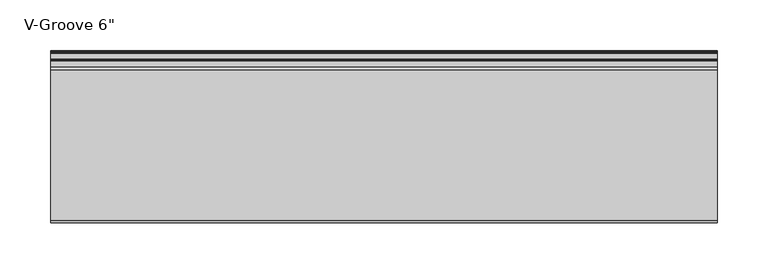
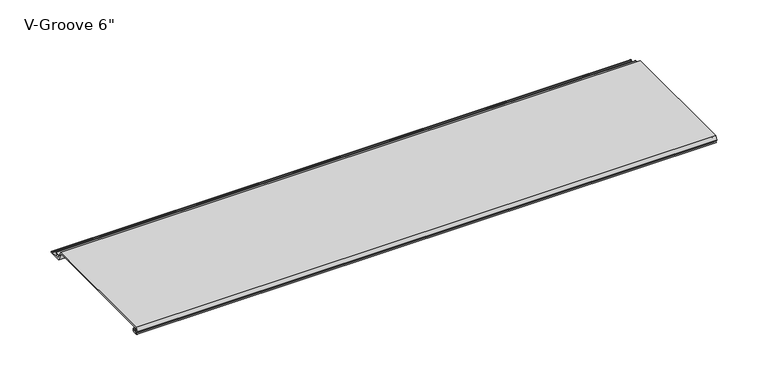
"""IFC4 building model written with IfcOpenShell, lengths in millimetres: proxy geometry."""

from ifc_helpers import new_model, si_unit, frame, origin, place, context, project, spatial, polyline, circle_curve, source, transform, mapped, element, save
from ifc_brep_helpers import plane_surface, cylinder_surface, revolved_surface, advanced_brep


def proxy_b5fcf104(model_context):
    return source(origin(), model_context, "Body", "AdvancedBrep", [
        advanced_brep(
        [(0.0, 4.8748016, 8.2677279), (0.0, 3.9297655, 8.3107178), (0.0, 1.0903749, 8.3537076), (0.0, 0.065443, 8.3537076), (0.0, 0.065443, 9.2261945), (0.0, 2.1184419, 13.2537076), (0.0, 149.7967857, 13.2537076), (0.0, 152.4, 8.1468156), (0.0, 158.2910449, 8.1468156), (0.0, 158.2738459, 6.6269129), (0.0, 154.1507651, 6.6268074), (0.0, 153.6162088, 5.7543198), (0.0, 154.7634478, 3.5037076), (0.0, 159.5480327, 3.5037076), (0.0, 160.305331, 2.8682589), (0.0, 166.0979176, 2.8682589), (0.0, 166.8552159, 3.5037076), (0.0, 167.8052159, 3.5037076), (0.0, 167.8052159, 1.8537076), (0.0, 153.8456734, 1.8537076), (0.0, 148.8348769, 11.6837076), (0.0, 4.9698231, 11.6837076), (0.0, 4.9454257, 9.4970429), (0.0, 6.3252986, 9.4327708), (0.0, 6.2190404, 4.8677279), (0.0, 2.2867276, 4.8677279), (0.0, 2.2368711, 6.1940104), (0.0, 4.5055344, 6.3177279), (0.0, 6.0740222, 6.3177279), (0.0, 6.0740222, 8.2677279), (653.773, 4.8748016, 8.2677279), (653.773, 6.0740222, 8.2677279), (653.773, 6.0740222, 6.3177279), (653.773, 4.5055344, 6.3177279), (653.773, 2.2368711, 6.1940104), (653.773, 2.2867276, 4.8677279), (653.773, 6.2190404, 4.8677279), (653.773, 6.3252986, 9.4327708), (653.773, 4.9454257, 9.4970429), (653.773, 4.9698231, 11.6837076), (653.773, 148.8348769, 11.6837076), (653.773, 153.8456734, 1.8537076), (653.773, 167.8052159, 1.8537076), (653.773, 167.8052159, 3.5037076), (653.773, 166.8552159, 3.5037076), (653.773, 166.0979176, 2.8682589), (653.773, 160.305331, 2.8682589), (653.773, 159.5480327, 3.5037076), (653.773, 154.7634478, 3.5037076), (653.773, 153.6162088, 5.7543198), (653.773, 154.1507651, 6.6268074), (653.773, 158.2738459, 6.6268074), (653.773, 158.2910449, 8.1468156), (653.773, 152.4, 8.1468156), (653.773, 149.7967857, 13.2537076), (653.773, 2.1184419, 13.2537076), (653.773, 0.065443, 9.2261945), (653.773, 0.065443, 8.3537076), (653.773, 1.0903749, 8.3537076), (653.773, 3.9297655, 8.3107178)],
        [
            (0, 1),
            (1, 2, circle_curve(frame((0.0, 2.4847467, 6.6596487), z_axis=(1.0, 0.0, 0.0), x_axis=(0.0, 1.0, 0.0)), 2.1941076)),
            (2, 3),
            (3, 4),
            (4, 5),
            (5, 6),
            (6, 7),
            (7, 8),
            (8, 9, circle_curve(frame((0.0, 158.2824454, 7.3868643), z_axis=(-1.0, 0.0, 0.0), x_axis=(0.0, 1.0, 0.0)), 0.76)),
            (9, 10),
            (10, 11, circle_curve(frame((0.0, 154.1507651, 6.0268074), z_axis=(1.0, 0.0, 0.0), x_axis=(0.0, 1.0, 0.0)), 0.6)),
            (11, 12),
            (12, 13),
            (13, 14),
            (14, 15),
            (15, 16),
            (16, 17),
            (17, 18, circle_curve(frame((0.0, 167.8052159, 2.6787076), z_axis=(-1.0, 0.0, 0.0), x_axis=(0.0, 1.0, 0.0)), 0.825)),
            (18, 19),
            (19, 20),
            (20, 21),
            (21, 22, circle_curve(frame((0.0, 4.9836004, 10.5900854), z_axis=(1.0, 0.0, 0.0), x_axis=(0.0, 1.0, 0.0)), 1.093709)),
            (22, 23),
            (23, 24, circle_curve(frame((0.0, 6.2190404, 7.151486), z_axis=(-1.0, 0.0, 0.0), x_axis=(0.0, 1.0, 0.0)), 2.2837581)),
            (24, 25),
            (25, 26, circle_curve(frame((0.0, 2.2867276, 5.5318063), z_axis=(-1.0, 0.0, 0.0), x_axis=(0.0, 1.0, 0.0)), 0.6640784)),
            (26, 27),
            (27, 28),
            (28, 29, circle_curve(frame((0.0, 6.0740222, 7.2927279), z_axis=(1.0, 0.0, 0.0), x_axis=(0.0, 1.0, 0.0)), 0.975)),
            (29, 0),
            (30, 31),
            (31, 32, circle_curve(frame((653.773, 6.0740222, 7.2927279), z_axis=(-1.0, 0.0, 0.0), x_axis=(0.0, 1.0, 0.0)), 0.975)),
            (32, 33),
            (33, 34),
            (34, 35, circle_curve(frame((653.773, 2.2867276, 5.5318063), z_axis=(1.0, 0.0, 0.0), x_axis=(0.0, 1.0, 0.0)), 0.6640784)),
            (35, 36),
            (36, 37, circle_curve(frame((653.773, 6.2190404, 7.151486), z_axis=(1.0, 0.0, 0.0), x_axis=(0.0, 1.0, 0.0)), 2.2837581)),
            (37, 38),
            (38, 39, circle_curve(frame((653.773, 4.9836004, 10.5900854), z_axis=(-1.0, 0.0, 0.0), x_axis=(0.0, 1.0, 0.0)), 1.093709)),
            (39, 40),
            (40, 41),
            (41, 42),
            (42, 43, circle_curve(frame((653.773, 167.8052159, 2.6787076), z_axis=(1.0, 0.0, 0.0), x_axis=(0.0, 1.0, 0.0)), 0.825)),
            (43, 44),
            (44, 45),
            (45, 46),
            (46, 47),
            (47, 48),
            (48, 49),
            (49, 50, circle_curve(frame((653.773, 154.1507651, 6.0268074), z_axis=(-1.0, 0.0, 0.0), x_axis=(0.0, 1.0, 0.0)), 0.6)),
            (50, 51),
            (51, 52, circle_curve(frame((653.773, 158.2824454, 7.3868643), z_axis=(1.0, 0.0, 0.0), x_axis=(0.0, 1.0, 0.0)), 0.76)),
            (52, 53),
            (53, 54),
            (54, 55),
            (55, 56),
            (56, 57),
            (57, 58),
            (58, 59, circle_curve(frame((653.773, 2.4847467, 6.6596487), z_axis=(-1.0, 0.0, 0.0), x_axis=(0.0, 1.0, 0.0)), 2.1941076)),
            (59, 30),
            (0, 30),
            (59, 1),
            (58, 2),
            (57, 3),
            (56, 4),
            (55, 5),
            (54, 6),
            (53, 7),
            (52, 8),
            (51, 9),
            (50, 10),
            (49, 11),
            (48, 12),
            (47, 13),
            (46, 14),
            (45, 15),
            (44, 16),
            (43, 17),
            (42, 18),
            (41, 19),
            (40, 20),
            (39, 21),
            (38, 22),
            (37, 23),
            (36, 24),
            (35, 25),
            (34, 26),
            (33, 27),
            (32, 28),
            (31, 29),
        ],
        [
            plane_surface(frame((0.0, 0.0, 0.0), z_axis=(-1.0, 0.0, 0.0), x_axis=(0.0, 0.0, 1.0))),
            plane_surface(frame((653.773, 0.0, 0.0), z_axis=(1.0, 0.0, 0.0), x_axis=(0.0, 0.0, 1.0))),
            plane_surface(frame((0.0, 4.8748016, 8.2677279), z_axis=(0.0, -0.045443199353729875, -0.9989669241934376), x_axis=(1.0, 0.0, 0.0))),
            revolved_surface(polyline([(653.773, 4.6788543, 6.6596487), (0.0, 4.6788543, 6.6596487)]), (0.0, 2.4847467, 6.6596487), (1.0, 0.0, 0.0)),
            plane_surface(frame((0.0, 1.0903749, 8.3537076), z_axis=(0.0, 0.0, -1.0), x_axis=(1.0, 0.0, 0.0))),
            plane_surface(frame((0.0, 0.065443, 8.3537076), z_axis=(0.0, -1.0, 0.0), x_axis=(1.0, 0.0, 0.0))),
            plane_surface(frame((0.0, 0.065443, 9.2261945), z_axis=(0.0, -0.8909279044420536, 0.4541447666620095), x_axis=(1.0, 0.0, 0.0))),
            plane_surface(frame((0.0, 2.1184419, 13.2537076), z_axis=(0.0, 0.0, 1.0), x_axis=(1.0, 0.0, 0.0))),
            plane_surface(frame((0.0, 149.7967857, 13.2537076), z_axis=(0.0, 0.8909272743280144, 0.45414600279916045), x_axis=(1.0, 0.0, 0.0))),
            plane_surface(frame((0.0, 152.4, 8.1468156), z_axis=(0.0, 0.0, 1.0), x_axis=(1.0, 0.0, 0.0))),
            cylinder_surface(frame((0.0, 158.2824454, 7.3868643), z_axis=(-1.0, 0.0, 0.0), x_axis=(0.0, 1.0, 0.0)), 0.76),
            plane_surface(frame((0.0, 158.2738459, 6.6268074), z_axis=(0.0, 0.0, -1.0), x_axis=(1.0, 0.0, 0.0))),
            revolved_surface(polyline([(653.773, 154.7507651, 6.0268074), (0.0, 154.7507651, 6.0268074)]), (0.0, 154.1507651, 6.0268074), (1.0, 0.0, 0.0)),
            plane_surface(frame((0.0, 153.6162088, 5.7543198), z_axis=(0.0, 0.8909272743742441, 0.4541460027084687), x_axis=(1.0, 0.0, 0.0))),
            plane_surface(frame((0.0, 154.7634478, 3.5037076), z_axis=(0.0, 0.0, 1.0), x_axis=(1.0, 0.0, 0.0))),
            plane_surface(frame((0.0, 159.5480327, 3.5037076), z_axis=(0.0, 0.6427876096865576, 0.7660444431189628), x_axis=(1.0, 0.0, 0.0))),
            plane_surface(frame((0.0, 160.305331, 2.8682589), z_axis=(0.0, 0.0, 1.0), x_axis=(1.0, 0.0, 0.0))),
            plane_surface(frame((0.0, 166.0979176, 2.8682589), z_axis=(0.0, -0.6427876096865565, 0.7660444431189637), x_axis=(1.0, 0.0, 0.0))),
            plane_surface(frame((0.0, 166.8552159, 3.5037076), z_axis=(0.0, 0.0, 1.0), x_axis=(1.0, 0.0, 0.0))),
            cylinder_surface(frame((0.0, 167.8052159, 2.6787076), z_axis=(-1.0, 0.0, 0.0), x_axis=(0.0, 1.0, 0.0)), 0.825),
            plane_surface(frame((0.0, 167.8052159, 1.8537076), z_axis=(0.0, 0.0, -1.0), x_axis=(1.0, 0.0, 0.0))),
            plane_surface(frame((0.0, 153.8456734, 1.8537076), z_axis=(0.0, -0.8909272743276321, -0.4541460027999105), x_axis=(1.0, 0.0, 0.0))),
            plane_surface(frame((0.0, 148.8348769, 11.6837076), z_axis=(0.0, 0.0, -1.0), x_axis=(1.0, 0.0, 0.0))),
            revolved_surface(polyline([(653.773, 6.077309400000001, 10.5900854), (0.0, 6.077309400000001, 10.5900854)]), (0.0, 4.9836004, 10.5900854), (1.0, 0.0, 0.0)),
            plane_surface(frame((0.0, 4.9454257, 9.4970429), z_axis=(0.0, 0.046527768163272164, 0.9989169969470661), x_axis=(1.0, 0.0, 0.0))),
            cylinder_surface(frame((0.0, 6.2190404, 7.151486), z_axis=(-1.0, 0.0, 0.0), x_axis=(0.0, 1.0, 0.0)), 2.2837581),
            plane_surface(frame((0.0, 6.2190404, 4.8677279), z_axis=(0.0, 0.0, -1.0), x_axis=(1.0, 0.0, 0.0))),
            cylinder_surface(frame((0.0, 2.2867276, 5.5318063), z_axis=(-1.0, 0.0, 0.0), x_axis=(0.0, 1.0, 0.0)), 0.6640784),
            plane_surface(frame((0.0, 2.2368711, 6.1940104), z_axis=(0.0, -0.054452281472051646, 0.9985163739481133), x_axis=(1.0, 0.0, 0.0))),
            plane_surface(frame((0.0, 4.5055344, 6.3177279), z_axis=(0.0, 0.0, 1.0), x_axis=(1.0, 0.0, 0.0))),
            revolved_surface(polyline([(653.773, 7.0490222, 7.2927279), (0.0, 7.0490222, 7.2927279)]), (0.0, 6.0740222, 7.2927279), (1.0, 0.0, 0.0)),
            plane_surface(frame((0.0, 6.0740222, 8.2677279), z_axis=(0.0, 0.0, -1.0), x_axis=(1.0, 0.0, 0.0))),
        ],
        [
            (0, [[1, 2, 3, 4, 5, 6, 7, 8, 9, 10, 11, 12, 13, 14, 15, 16, 17, 18, 19, 20, 21, 22, 23, 24, 25, 26, 27, 28, 29, 30]]),
            (1, [[31, 32, 33, 34, 35, 36, 37, 38, 39, 40, 41, 42, 43, 44, 45, 46, 47, 48, 49, 50, 51, 52, 53, 54, 55, 56, 57, 58, 59, 60]]),
            (2, [[-1, 61, -60, 62]]),
            (3, [[-2, -62, -59, 63]]),
            (4, [[-3, -63, -58, 64]]),
            (5, [[-4, -64, -57, 65]]),
            (6, [[-5, -65, -56, 66]]),
            (7, [[-6, -66, -55, 67]]),
            (8, [[-7, -67, -54, 68]]),
            (9, [[-8, -68, -53, 69]]),
            (10, [[-9, -69, -52, 70]]),
            (11, [[-10, -70, -51, 71]]),
            (12, [[-11, -71, -50, 72]]),
            (13, [[-12, -72, -49, 73]]),
            (14, [[-13, -73, -48, 74]]),
            (15, [[-14, -74, -47, 75]]),
            (16, [[-15, -75, -46, 76]]),
            (17, [[-16, -76, -45, 77]]),
            (18, [[-17, -77, -44, 78]]),
            (19, [[-18, -78, -43, 79]]),
            (20, [[-19, -79, -42, 80]]),
            (21, [[-20, -80, -41, 81]]),
            (22, [[-21, -81, -40, 82]]),
            (23, [[-22, -82, -39, 83]]),
            (24, [[-23, -83, -38, 84]]),
            (25, [[-24, -84, -37, 85]]),
            (26, [[-25, -85, -36, 86]]),
            (27, [[-26, -86, -35, 87]]),
            (28, [[-27, -87, -34, 88]]),
            (29, [[-28, -88, -33, 89]]),
            (30, [[-29, -89, -32, 90]]),
            (31, [[-30, -90, -31, -61]]),
        ],
    ),
    ])


if __name__ == "__main__":
    model = new_model("IFC4")
    model_context = context("Model", 3, world=origin())
    ifc_project = project(units=[si_unit("LENGTHUNIT", "METRE", prefix="MILLI")], contexts=[model_context])
    site = spatial("IfcSite", under=ifc_project)
    building = spatial("IfcBuilding", under=site)
    placement = place(None, origin())
    proxy_shape = proxy_b5fcf104(model_context)
    element("IfcBuildingElementProxy", 1, Name="V-Groove 6\"", ObjectType="V-Groove 6\"", at=placement, inside=building, context=model_context, shape_type="MappedRepresentation", body=[
        mapped(proxy_shape, transform((0.0, 0.0, 0.0), x_axis=(1.0, 0.0, 0.0), y_axis=(0.0, 1.0, 0.0), z_axis=(0.0, 0.0, 1.0))),
    ])
    save(model, "model.ifc")
